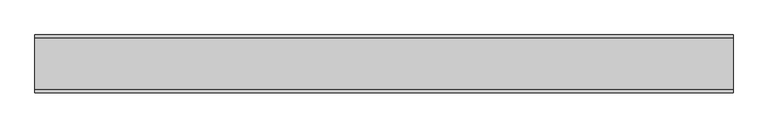
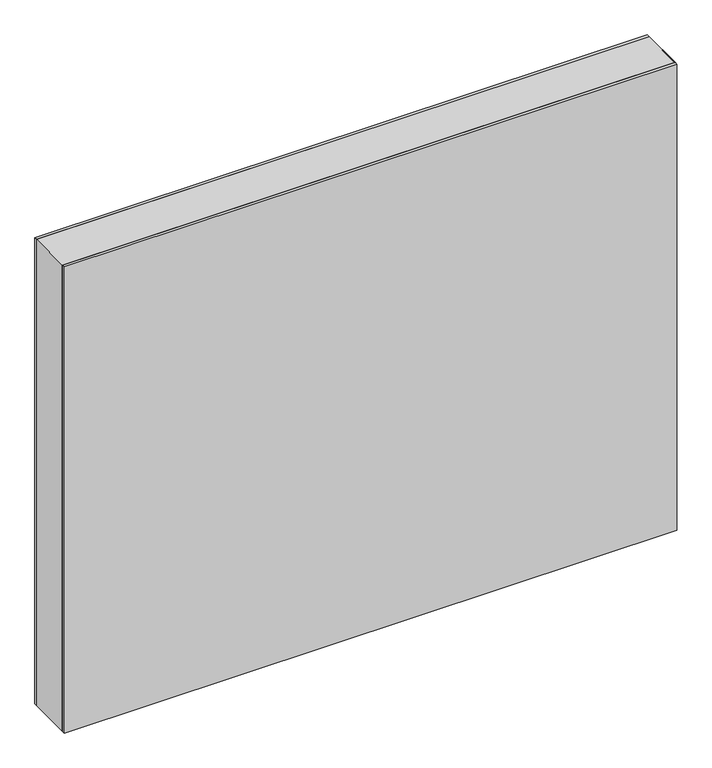
"""IFC4 building model written with IfcOpenShell, lengths in millimetres: plate geometry."""

import ifcopenshell
import ifcopenshell.guid

model = None  # the IFC model being written
_history = None  # IfcOwnerHistory: only IFC2X3 demands one
_inside = {}  # id of a spatial element -> (the spatial element, [elements in it])
_under = {}  # id of a project, library or spatial element -> (it, [spatial elements below it])
_declared = {}  # id of a project -> (the project, [libraries it declares])
_typed = {}  # id of a type object -> (the type object, [elements of that type])
_made_of = {}  # id of a material, layer set ... -> (it, [elements and type objects made of it])


def new_model(schema):
    """Start an empty IFC model of exactly this schema.

    Asked for "IFC4X3", IfcOpenShell would pick the latest addendum, in which some entities
    have other attributes; the version numbers below select the first issue.
    IFC2X3 requires an IfcOwnerHistory on every rooted entity: one is made here for all.
    """
    global model, _history
    if schema == "IFC4X3":
        model = ifcopenshell.file(schema_version=(4, 3, 0, 0))
    else:
        model = ifcopenshell.file(schema=schema)
    _inside.clear()
    _under.clear()
    _declared.clear()
    _typed.clear()
    _made_of.clear()
    _history = None
    if model.schema == "IFC2X3":
        org = make("IfcOrganization", Name="unknown")
        user = make(
            "IfcPersonAndOrganization",
            ThePerson=make("IfcPerson", FamilyName="unknown"),
            TheOrganization=org,
        )
        app = make(
            "IfcApplication",
            ApplicationDeveloper=org,
            Version="unknown",
            ApplicationFullName="unknown",
            ApplicationIdentifier="unknown",
        )
        _history = make(
            "IfcOwnerHistory",
            OwningUser=user,
            OwningApplication=app,
            ChangeAction="ADDED",
            CreationDate=0,
        )
    return model


def make(cls, **values):
    """One entity of the class cls with the attributes given. An attribute that is None is left unset."""
    return model.create_entity(
        cls, **{name: value for name, value in values.items() if value is not None}
    )


def rooted(cls, **values):
    """An entity with a GlobalId (a new one), such as an element, a storey or a relation."""
    return make(cls, GlobalId=ifcopenshell.guid.new(), OwnerHistory=_history, **values)


def si_unit(unit_type, name, prefix=None):
    """IfcSIUnit, for example si_unit("LENGTHUNIT", "METRE", prefix="MILLI")."""
    return make("IfcSIUnit", UnitType=unit_type, Prefix=prefix, Name=name)


def assignment(units):
    """IfcUnitAssignment: the units of a project."""
    return None if units is None else make("IfcUnitAssignment", Units=units)


def point(xyz):
    """IfcCartesianPoint."""
    return None if xyz is None else make("IfcCartesianPoint", Coordinates=xyz)


def direction(xyz):
    """IfcDirection."""
    return None if xyz is None else make("IfcDirection", DirectionRatios=xyz)


def frame(location, z_axis=None, x_axis=None):
    """IfcAxis2Placement3D, a coordinate frame: its origin and axes. An axis left out is left unset."""
    return make(
        "IfcAxis2Placement3D",
        Location=point(location),
        Axis=direction(z_axis),
        RefDirection=direction(x_axis),
    )


def origin():
    """The frame at (0, 0, 0) with its axes left unset."""
    return frame((0.0, 0.0, 0.0))


def origin_with_axes():
    """The frame at (0, 0, 0) with the z axis (0, 0, 1) and the x axis (1, 0, 0) written out."""
    return frame((0.0, 0.0, 0.0), z_axis=(0.0, 0.0, 1.0), x_axis=(1.0, 0.0, 0.0))


def place(relative_to, where):
    """IfcLocalPlacement: puts the frame where relative to a parent placement (None: the world)."""
    return make(
        "IfcLocalPlacement", PlacementRelTo=relative_to, RelativePlacement=where
    )


def context(
    kind, dimensions, precision=None, world=None, true_north=None, identifier=None
):
    """IfcGeometricRepresentationContext, for example the 3D "Model" context."""
    return make(
        "IfcGeometricRepresentationContext",
        ContextIdentifier=identifier,
        ContextType=kind,
        CoordinateSpaceDimension=dimensions,
        Precision=precision,
        WorldCoordinateSystem=world,
        TrueNorth=true_north,
    )


def project(units=None, contexts=None):
    """IfcProject with its units and contexts."""
    return rooted(
        "IfcProject",
        Name="project",
        RepresentationContexts=contexts,
        UnitsInContext=assignment(units),
    )


def spatial(cls, under=None, at=None, **own):
    """A site, building, storey or space (cls), placed at a placement, below another one or the project."""
    s = rooted(cls, ObjectPlacement=at, **own)
    if under is not None:
        _under.setdefault(under.id(), (under, []))[1].append(s)
    return s


def polyline(points):
    """IfcPolyline through the points."""
    return make("IfcPolyline", Points=[point(p) for p in points])


def outline(outer, holes=None, kind="AREA"):
    """IfcArbitraryClosedProfileDef: a profile drawn as a closed curve; with holes, ...WithVoids."""
    if holes is None:
        return make("IfcArbitraryClosedProfileDef", ProfileType=kind, OuterCurve=outer)
    return make(
        "IfcArbitraryProfileDefWithVoids",
        ProfileType=kind,
        OuterCurve=outer,
        InnerCurves=holes,
    )


def extrude(swept, where, along, depth):
    """IfcExtrudedAreaSolid: the profile swept, set in the frame where, extruded along a direction by depth."""
    return make(
        "IfcExtrudedAreaSolid",
        SweptArea=swept,
        Position=where,
        ExtrudedDirection=direction(along),
        Depth=depth,
    )


def shape(context_of_items, identifier, shape_type, items):
    """IfcShapeRepresentation: the items that make up one representation, for example the "Body"."""
    return make(
        "IfcShapeRepresentation",
        ContextOfItems=context_of_items,
        RepresentationIdentifier=identifier,
        RepresentationType=shape_type,
        Items=items,
    )


def source(mapping_origin, context_of_items, identifier, shape_type, items):
    """IfcRepresentationMap: a shape defined once, which mapped items show again and again."""
    return make(
        "IfcRepresentationMap",
        MappingOrigin=mapping_origin,
        MappedRepresentation=shape(context_of_items, identifier, shape_type, items),
    )


def transform(
    local_origin,
    x_axis=None,
    y_axis=None,
    z_axis=None,
    scale=None,
    scale2=None,
    scale3=None,
    uniform=True,
):
    """IfcCartesianTransformationOperator3D, or its non-uniform kind. x_axis, y_axis, z_axis: its Axis1, 2, 3."""
    if uniform:
        return make(
            "IfcCartesianTransformationOperator3D",
            Axis1=direction(x_axis),
            Axis2=direction(y_axis),
            LocalOrigin=point(local_origin),
            Scale=scale,
            Axis3=direction(z_axis),
        )
    return make(
        "IfcCartesianTransformationOperator3DnonUniform",
        Axis1=direction(x_axis),
        Axis2=direction(y_axis),
        LocalOrigin=point(local_origin),
        Scale=scale,
        Axis3=direction(z_axis),
        Scale2=scale2,
        Scale3=scale3,
    )


def mapped(mapping_source, mapping_target):
    """IfcMappedItem: shows the shape of a source again, moved by a transform."""
    return make(
        "IfcMappedItem", MappingSource=mapping_source, MappingTarget=mapping_target
    )


def made_of(thing, what):
    """Note that an element or type object is made of a material, layer set ...; save() writes the relation."""
    if what is not None:
        _made_of.setdefault(what.id(), (what, []))[1].append(thing)
    return thing


def element(
    cls,
    number,
    at=None,
    inside=None,
    cuts=None,
    type_object=None,
    material=None,
    context=None,
    identifier="Body",
    shape_type=None,
    held_by="IfcProductDefinitionShape",
    body=None,
    shapes=None,
    **own,
):
    """One element of the class cls, such as IfcWall. Its Tag is "e" and its number.

    at: its placement. inside: the storey or other place that contains it. cuts: it is an
    opening in that element (IfcRelVoidsElement). A single representation is given by context,
    identifier, shape_type and body (its items); several are given by shapes. held_by: the class
    of the entity that holds the representations. save() writes the other relations.
    """
    e = rooted(cls, Tag="e%d" % number, ObjectPlacement=at, **own)
    if body is not None:
        shapes = [shape(context, identifier, shape_type, body)]
    if shapes is not None:
        e.Representation = make(held_by, Representations=shapes)
    if inside is not None:
        _inside.setdefault(inside.id(), (inside, []))[1].append(e)
    if cuts is not None:
        rooted(
            "IfcRelVoidsElement", RelatingBuildingElement=cuts, RelatedOpeningElement=e
        )
    if type_object is not None:
        _typed.setdefault(type_object.id(), (type_object, []))[1].append(e)
    return made_of(e, material)


def aggregate(whole, parts):
    """IfcRelAggregates: a whole, such as a stair, and the parts it consists of."""
    return rooted("IfcRelAggregates", RelatingObject=whole, RelatedObjects=parts)


def save(model, path):
    """Write the relations noted so far, then the file.

    IfcRelAggregates (storeys below a building ...), IfcRelContainedInSpatialStructure (elements
    in a storey), IfcRelDefinesByType, IfcRelAssociatesMaterial and IfcRelDeclares: one each for
    every whole, place, type object, material and project.
    """
    for whole, parts in _under.values():
        aggregate(whole, parts)
    for where, things in _inside.values():
        rooted(
            "IfcRelContainedInSpatialStructure",
            RelatedElements=things,
            RelatingStructure=where,
        )
    for kind, things in _typed.values():
        rooted("IfcRelDefinesByType", RelatedObjects=things, RelatingType=kind)
    for what, things in _made_of.values():
        rooted("IfcRelAssociatesMaterial", RelatedObjects=things, RelatingMaterial=what)
    for by, libraries in _declared.values():
        rooted("IfcRelDeclares", RelatingContext=by, RelatedDefinitions=libraries)
    model.write(path)


def plate_7f656ecb(model_context):
    return source(origin(), model_context, "Body", "SweptSolid", [
        extrude(outline(polyline([(969.5, -602.4375001), (0.0, -602.4375001), (0.0, 602.4375001), (969.5, 602.4375001), (969.5, -602.4375001)]), holes=[polyline([(968.5, -601.4375001), (968.5, 601.4375001), (1.0, 601.4375001), (1.0, -601.4375001), (968.5, -601.4375001)])]), frame((0.0, -44.0, 0.0), z_axis=(0.0, 1.0, 0.0), x_axis=(0.0, 0.0, 1.0)), (0.0, 0.0, 1.0), 88.0),
        extrude(outline(polyline([(602.4375001, 44.0), (-602.4375001, 44.0), (-602.4375001, 50.0), (602.4375001, 50.0), (602.4375001, 44.0)])), origin_with_axes(), (0.0, 0.0, 1.0), 969.5),
        extrude(outline(polyline([(-602.4375001, -50.0), (-602.4375001, -44.0), (602.4375001, -44.0), (602.4375001, -50.0), (-602.4375001, -50.0)])), origin_with_axes(), (0.0, 0.0, 1.0), 969.5),
    ])


if __name__ == "__main__":
    model = new_model("IFC4")
    model_context = context("Model", 3, world=origin())
    ifc_project = project(units=[si_unit("LENGTHUNIT", "METRE", prefix="MILLI")], contexts=[model_context])
    site = spatial("IfcSite", under=ifc_project)
    building = spatial("IfcBuilding", under=site)
    placement = place(None, origin())
    plate_shape = plate_7f656ecb(model_context)
    element("IfcPlate", 1, at=placement, inside=building, context=model_context, shape_type="MappedRepresentation", body=[
        mapped(plate_shape, transform((0.0, 0.0, 0.0), x_axis=(1.0, 0.0, 0.0), y_axis=(0.0, 1.0, 0.0), z_axis=(0.0, 0.0, 1.0))),
    ])
    save(model, "model.ifc")
